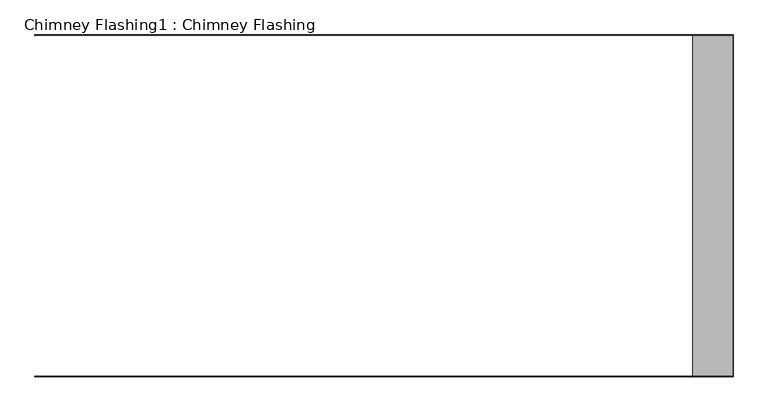
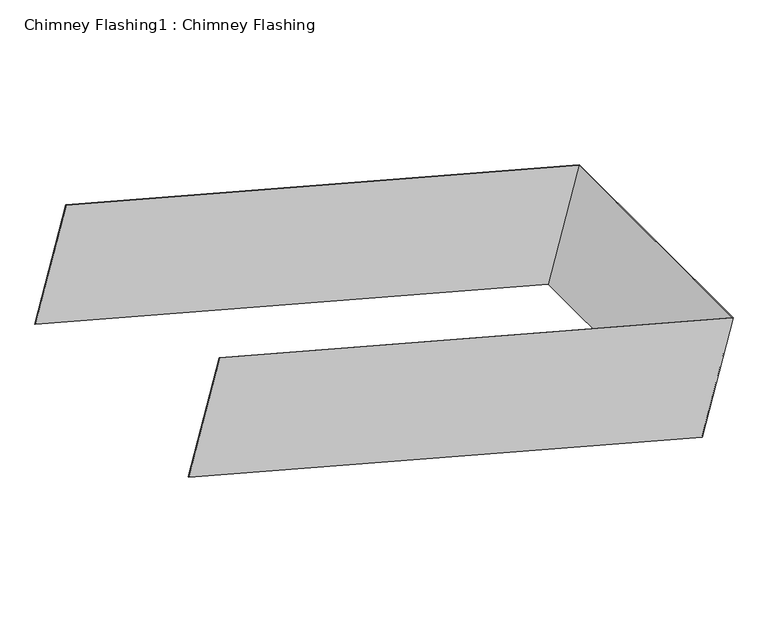
"""IFC4 building model written with IfcOpenShell, lengths in millimetres: proxy geometry, Chimney Flashing1 : Chimney Flashing."""

from ifc_helpers import new_model, si_unit, frame, origin, place, context, project, spatial, polyline, outline, extrude, source, transform, mapped, element, save


def chimney_flashing1_chimney_flashing_ec6f5fc2(model_context):
    return source(origin(), model_context, "Body", "SweptSolid", [
        extrude(outline(polyline([(0.0, -1.0), (0.0, 0.0), (1200.9999999, 0.0), (1200.9999999, -602.0), (0.0, -602.0), (0.0, -601.0), (1199.9999999, -601.0), (1199.9999999, -1.0), (0.0, -1.0)])), frame((9709.037993, -12620.7134194, 7284.2509927), z_axis=(0.2585656769121115, 0.0, 0.9659936804777667), x_axis=(0.9659936804777667, 0.0, -0.2585656769121115)), (0.0, 0.0, 1.0), 269.6718079),
    ])


if __name__ == "__main__":
    model = new_model("IFC4")
    model_context = context("Model", 3, world=origin())
    ifc_project = project(units=[si_unit("LENGTHUNIT", "METRE", prefix="MILLI")], contexts=[model_context])
    site = spatial("IfcSite", under=ifc_project)
    building = spatial("IfcBuilding", under=site)
    placement = place(None, origin())
    chimney_flashing1_chimney_flashing_shape = chimney_flashing1_chimney_flashing_ec6f5fc2(model_context)
    element("IfcBuildingElementProxy", 1, Name="Chimney Flashing1 : Chimney Flashing", ObjectType="Chimney Flashing1 : Chimney Flashing", at=placement, inside=building, context=model_context, shape_type="MappedRepresentation", body=[
        mapped(chimney_flashing1_chimney_flashing_shape, transform((0.0, 0.0, 0.0), x_axis=(1.0, 0.0, 0.0), y_axis=(0.0, 1.0, 0.0), z_axis=(0.0, 0.0, 1.0))),
    ])
    save(model, "model.ifc")
